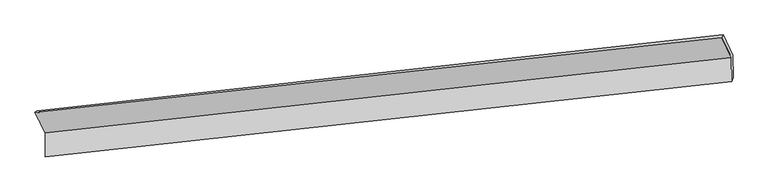
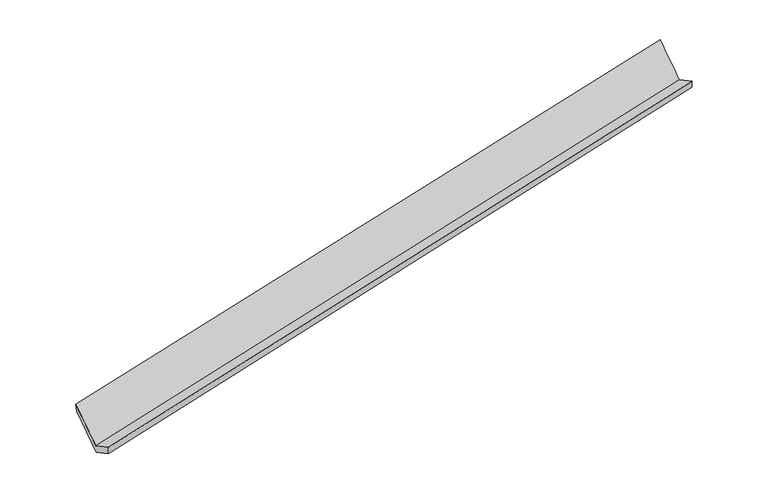
"""IFC4 building model written with IfcOpenShell, lengths in millimetres: proxy geometry."""

from ifc_helpers import new_model, si_unit, frame, origin, place, context, project, spatial, source, transform, mapped, element, save
from ifc_brep_helpers import plane_surface, spline_surface, advanced_brep


def generic_models_0be689b4(model_context):
    return source(origin(), model_context, "Body", "AdvancedBrep", [
        advanced_brep(
        [(-8497.072145, -2129.9175202, 566.4523613), (-8495.1117509, -2528.5443455, 774.7402783), (2859.0680363, -1276.7543273, 3086.6481805), (2857.1076422, -878.127502, 2878.3602635), (-8467.2796371, -2481.4155061, 612.0379198), (2884.1368044, -1216.3106588, 2927.8605361), (-8469.145519, -2102.0067864, 413.7917234), (2882.2709224, -836.9019391, 2729.6143396), (-8635.7215143, -1769.5583185, 1051.6080395), (2718.6549029, -504.1275343, 3368.0265832), (-8665.9297728, -1792.9154236, 1213.005005), (2696.7908687, -552.0633486, 3503.8992014)],
        [
            (0, 1),
            (1, 2),
            (2, 3),
            (3, 0),
            (1, 4),
            (4, 5),
            (5, 2),
            (4, 6),
            (6, 7),
            (7, 5),
            (6, 8),
            (8, 9),
            (9, 7),
            (8, 10),
            (10, 11),
            (11, 9),
            (10, 0),
            (3, 11),
        ],
        [
            plane_surface(frame((-8496.0919479, -2329.2309328, 670.5963198), z_axis=(-0.2255540462478902, 0.4502999281091399, 0.8639185997338571), x_axis=(0.004358680690367552, -0.8862947801862738, 0.4631010305723839))),
            spline_surface(1, 1, [[(-8495.1117509, -2528.5443455, 774.7402783), (2859.0680363, -1276.7543273, 3086.6481805)], [(-8467.2796371, -2481.4155061, 612.0379198), (2884.1368044, -1216.3106588, 2927.8605361)]], [2, 2], [2, 2], [0.0, 1.0], [0.0, 1.0]),
            plane_surface(frame((-8468.212578, -2291.7111462, 512.9148216), z_axis=(0.22638998868057172, -0.45020689367783917, -0.8637484158655006), x_axis=(-0.0043586806903577946, 0.8862947801862165, -0.4631010305724937))),
            spline_surface(1, 1, [[(-8469.145519, -2102.0067864, 413.7917234), (2882.2709224, -836.9019391, 2729.6143396)], [(-8635.7215143, -1769.5583185, 1051.6080395), (2718.6549029, -504.1275343, 3368.0265832)]], [2, 2], [2, 2], [0.0, 1.0], [0.0, 1.0]),
            spline_surface(1, 1, [[(-8635.7215143, -1769.5583185, 1051.6080395), (2718.6549029, -504.1275343, 3368.0265832)], [(-8665.9297728, -1792.9154236, 1213.005005), (2696.7908687, -552.0633486, 3503.8992014)]], [2, 2], [2, 2], [0.0, 1.0], [0.0, 1.0]),
            spline_surface(1, 1, [[(-8665.9297728, -1792.9154236, 1213.005005), (2696.7908687, -552.0633486, 3503.8992014)], [(-8497.072145, -2129.9175202, 566.4523613), (2857.1076422, -878.127502, 2878.3602635)]], [2, 2], [2, 2], [0.0, 1.0], [0.0, 1.0]),
            plane_surface(frame((2816.3381962, -877.380885, 3082.4015174), z_axis=(0.9751248650700913, 0.1063983970862468, 0.19445019573020114), x_axis=(-0.15003106506372615, -0.32893569475189305, 0.9323582939159889))),
            plane_surface(frame((-8538.3767232, -2134.05965, 771.9392212), z_axis=(-0.9742050304123775, -0.1082515462412847, -0.19800545814595494), x_axis=(-0.22562260662854455, 0.4502923110057603, 0.8639046672100068))),
        ],
        [
            (0, [[1, 2, 3, 4]]),
            (1, [[5, 6, 7, -2]]),
            (2, [[8, 9, 10, -6]]),
            (3, [[11, 12, 13, -9]]),
            (4, [[14, 15, 16, -12]]),
            (5, [[17, -4, 18, -15]]),
            (6, [[-16, -18, -3, -7, -10, -13]]),
            (7, [[-17, -14, -11, -8, -5, -1]]),
        ],
    ),
    ])


if __name__ == "__main__":
    model = new_model("IFC4")
    model_context = context("Model", 3, world=origin())
    ifc_project = project(units=[si_unit("LENGTHUNIT", "METRE", prefix="MILLI")], contexts=[model_context])
    site = spatial("IfcSite", under=ifc_project)
    building = spatial("IfcBuilding", under=site)
    placement = place(None, origin())
    generic_models_shape = generic_models_0be689b4(model_context)
    element("IfcBuildingElementProxy", 1, Name="Generic Models", at=placement, inside=building, context=model_context, shape_type="MappedRepresentation", body=[
        mapped(generic_models_shape, transform((0.0, 0.0, 0.0), x_axis=(1.0, 0.0, 0.0), y_axis=(0.0, 1.0, 0.0), z_axis=(0.0, 0.0, 1.0))),
    ])
    save(model, "model.ifc")
